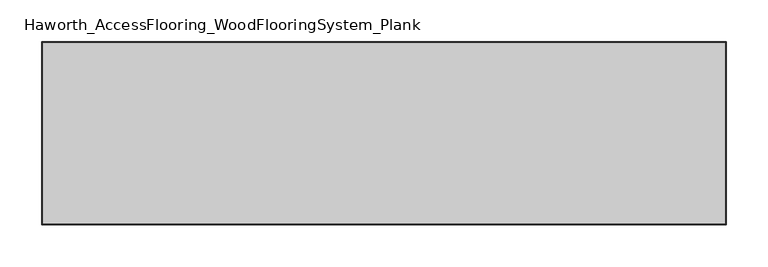
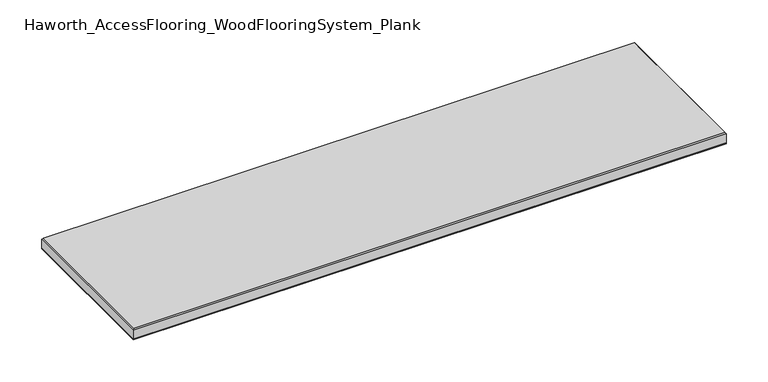
"""IFC4 building model written with IfcOpenShell, lengths in millimetres: proxy geometry, Haworth_AccessFlooring_WoodFlooringSystem_Plank."""

from ifc_helpers import new_model, si_unit, frame, origin, place, context, project, spatial, polyline, outline, extrude, faceted_brep, source, transform, mapped, element, save


def haworth_accessflooring_woodflooringsystem_plank_158200b8(model_context):
    return source(origin(), model_context, "Body", "SolidModel", [
        extrude(outline(polyline([(411.0411741, 109.9839844), (411.0411741, -109.9839844), (-411.0411741, -109.9839844), (-411.0411741, 109.9839844), (411.0411741, 109.9839844)])), frame((0.0, 0.0, -15.875), z_axis=(0.0, 0.0, 1.0), x_axis=(1.0, 0.0, 0.0)), (0.0, 0.0, 1.0), 0.9921875),
        faceted_brep([(411.0411741, 109.9839844, -14.8828125), (411.0411741, -109.9839844, -14.8828125), (-411.0411741, -109.9839844, -14.8828125), (-411.0411741, 109.9839844, -14.8828125), (-411.0411741, 109.9839844, -1.5875), (411.0411741, 109.9839844, -1.5875), (-411.0411741, -109.9839844, -1.5875), (411.0411741, -109.9839844, -1.5875), (409.4536741, 108.3964844, 0.0), (-409.4536741, 108.3964844, 0.0), (-409.4536741, -108.3964844, 0.0), (409.4536741, -108.3964844, 0.0)], [[[0, 1, 2, 3]], [[0, 3, 4, 5]], [[3, 2, 6, 4]], [[2, 1, 7, 6]], [[1, 0, 5, 7]], [[8, 9, 10, 11]], [[9, 8, 5, 4]], [[10, 9, 4, 6]], [[11, 10, 6, 7]], [[8, 11, 7, 5]]]),
    ])


if __name__ == "__main__":
    model = new_model("IFC4")
    model_context = context("Model", 3, world=origin())
    ifc_project = project(units=[si_unit("LENGTHUNIT", "METRE", prefix="MILLI")], contexts=[model_context])
    site = spatial("IfcSite", under=ifc_project)
    building = spatial("IfcBuilding", under=site)
    placement = place(None, origin())
    haworth_accessflooring_woodflooringsystem_plank_shape = haworth_accessflooring_woodflooringsystem_plank_158200b8(model_context)
    element("IfcBuildingElementProxy", 1, Name="Haworth_AccessFlooring_WoodFlooringSystem_Plank", ObjectType="Haworth_AccessFlooring_WoodFlooringSystem_Plank", at=placement, inside=building, context=model_context, shape_type="MappedRepresentation", body=[
        mapped(haworth_accessflooring_woodflooringsystem_plank_shape, transform((0.0, 0.0, 0.0), x_axis=(1.0, 0.0, 0.0), y_axis=(0.0, 1.0, 0.0), z_axis=(0.0, 0.0, 1.0))),
    ])
    save(model, "model.ifc")
